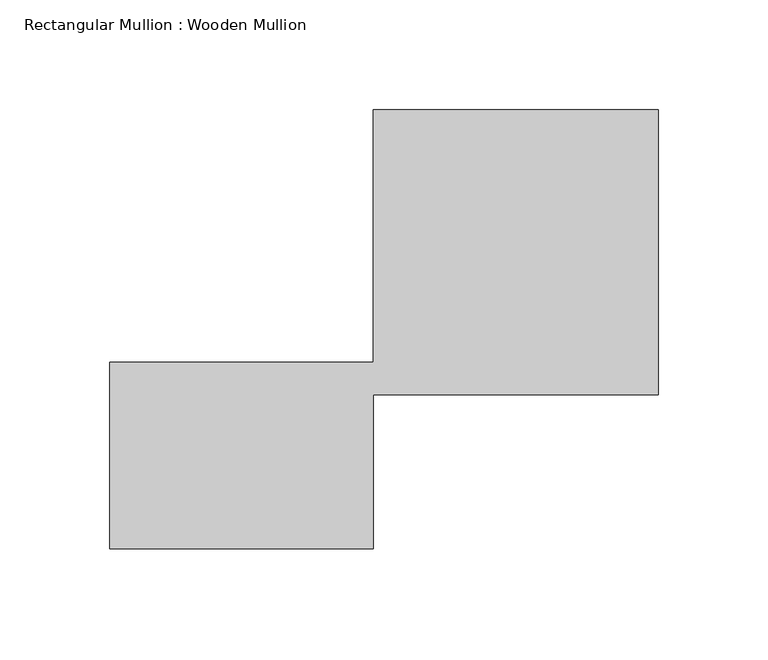
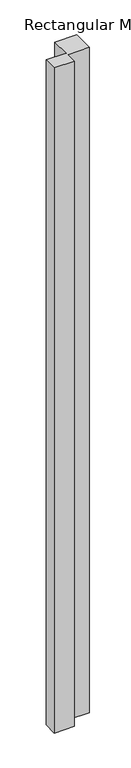
"""IFC4 building model written with IfcOpenShell, lengths in millimetres: member geometry, Rectangular Mullion : Wooden Mullion."""

from ifc_helpers import new_model, si_unit, frame, origin, place, context, project, spatial, polyline, outline, extrude, source, transform, mapped, element, save


def rectangular_mullion_wooden_mullion_18509718(model_context):
    return source(origin(), model_context, "Body", "SweptSolid", [
        extrude(outline(polyline([(74.8100006, -26.0137344), (-45.1899994, -26.0137344), (-45.1899994, 58.9862656), (74.8100006, 58.9862656), (74.8100006, 173.9862656), (204.8100006, 173.9862656), (204.8100006, 43.9862656), (74.8100006, 43.9862656), (74.8100006, -26.0137344)])), frame((0.0, 0.0, -4208.6995158), z_axis=(0.0, 0.0, 1.0), x_axis=(1.0, 0.0, 0.0)), (0.0, 0.0, 1.0), 4208.6995158),
    ])


if __name__ == "__main__":
    model = new_model("IFC4")
    model_context = context("Model", 3, world=origin())
    ifc_project = project(units=[si_unit("LENGTHUNIT", "METRE", prefix="MILLI")], contexts=[model_context])
    site = spatial("IfcSite", under=ifc_project)
    building = spatial("IfcBuilding", under=site)
    placement = place(None, origin())
    rectangular_mullion_wooden_mullion_shape = rectangular_mullion_wooden_mullion_18509718(model_context)
    element("IfcMember", 1, ObjectType="Rectangular Mullion : Wooden Mullion", at=placement, inside=building, context=model_context, shape_type="MappedRepresentation", body=[
        mapped(rectangular_mullion_wooden_mullion_shape, transform((0.0, 0.0, 0.0), x_axis=(1.0, 0.0, 0.0), y_axis=(0.0, 1.0, 0.0), z_axis=(0.0, 0.0, 1.0))),
    ])
    save(model, "model.ifc")
